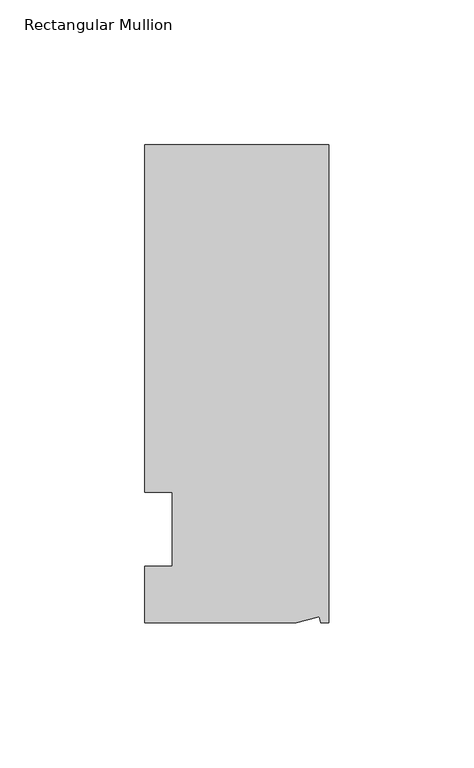
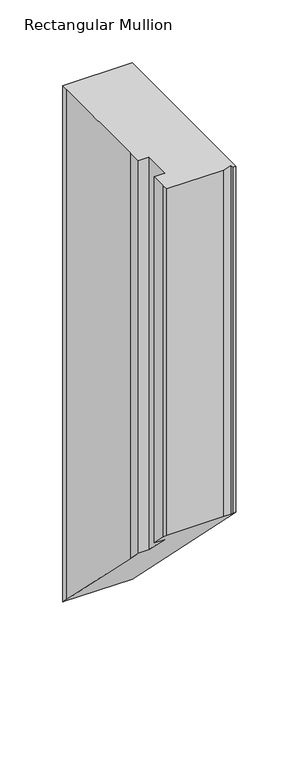
"""IFC4 building model written with IfcOpenShell, lengths in millimetres: member geometry, Rectangular Mullion."""

from ifc_helpers import new_model, si_unit, origin, place, context, project, spatial, faceted_brep, source, transform, mapped, element, save


def rectangular_mullion_82fd22dc(model_context):
    return source(origin(), model_context, "Body", "Brep", [
        faceted_brep([(-3.3457217, -17.5748952, 0.0), (-11.1265412, -19.6597595, 0.0), (-11.1265412, -19.6597595, -335.9402405), (-3.3457217, -17.5748952, -338.0251048), (-2.787084, -19.6597595, 0.0), (-2.787084, -19.6597595, -335.9402405), (0.0, -19.6597595, 0.0), (0.0, -19.6597595, -335.9402405), (0.0, 145.4402405, 0.0), (0.0, 145.4402405, -501.0402405), (-63.5, 145.4402405, 0.0), (-63.5, 145.4402405, -501.0402405), (-63.5, 38.3358837, 0.0), (-63.5, 139.0912246, 0.0), (-63.5, 139.0912246, -494.6912246), (-63.5, 38.3358837, -393.9358837), (-53.975, 25.4, 0.0), (-63.5, 25.4, 0.0), (-63.5, 25.4, -381.0), (-53.975, 25.4, -381.0), (-53.975, 0.0, 0.0), (-53.975, 0.0, -355.6), (-63.5, 0.0, 0.0), (-63.5, 0.0, -355.6), (-63.5, -13.6093403, 0.0), (-63.5, -13.6093403, -341.9906597), (-63.5, -19.6597595, 0.0), (-63.5, -19.6597595, -335.9402405)], [[[0, 1, 2, 3]], [[4, 0, 3, 5]], [[6, 4, 5, 7]], [[8, 6, 7, 9]], [[10, 8, 9, 11]], [[12, 13, 14, 15]], [[16, 17, 18, 19]], [[20, 16, 19, 21]], [[22, 20, 21, 23]], [[24, 22, 23, 25]], [[1, 26, 27, 2]], [[1, 0, 4, 6, 8, 10, 13, 12, 17, 16, 20, 22, 24, 26]], [[2, 27, 25, 23, 21, 19, 18, 15, 14, 11, 9, 7, 5, 3]], [[13, 10, 11, 14]], [[17, 12, 15, 18]], [[26, 24, 25, 27]]]),
    ])


if __name__ == "__main__":
    model = new_model("IFC4")
    model_context = context("Model", 3, world=origin())
    ifc_project = project(units=[si_unit("LENGTHUNIT", "METRE", prefix="MILLI")], contexts=[model_context])
    site = spatial("IfcSite", under=ifc_project)
    building = spatial("IfcBuilding", under=site)
    placement = place(None, origin())
    rectangular_mullion_shape = rectangular_mullion_82fd22dc(model_context)
    element("IfcMember", 1, ObjectType="Rectangular Mullion", at=placement, inside=building, context=model_context, shape_type="MappedRepresentation", body=[
        mapped(rectangular_mullion_shape, transform((0.0, 0.0, 0.0), x_axis=(1.0, 0.0, 0.0), y_axis=(0.0, 1.0, 0.0), z_axis=(0.0, 0.0, 1.0))),
    ])
    save(model, "model.ifc")
